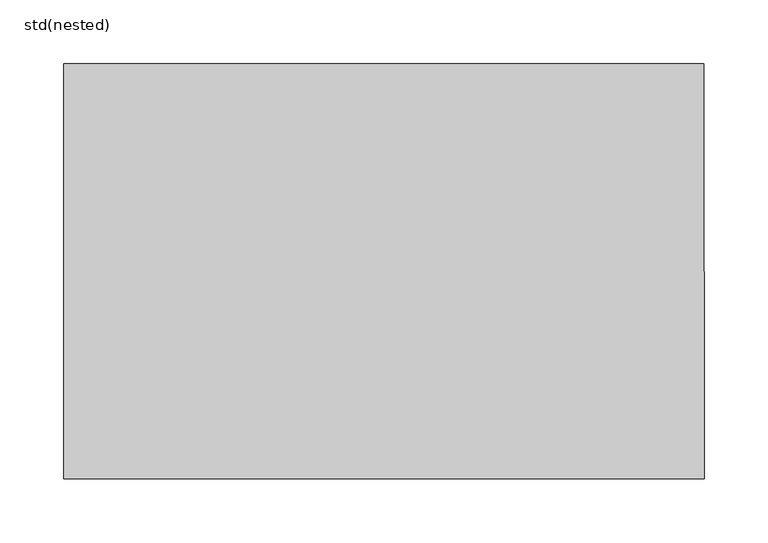
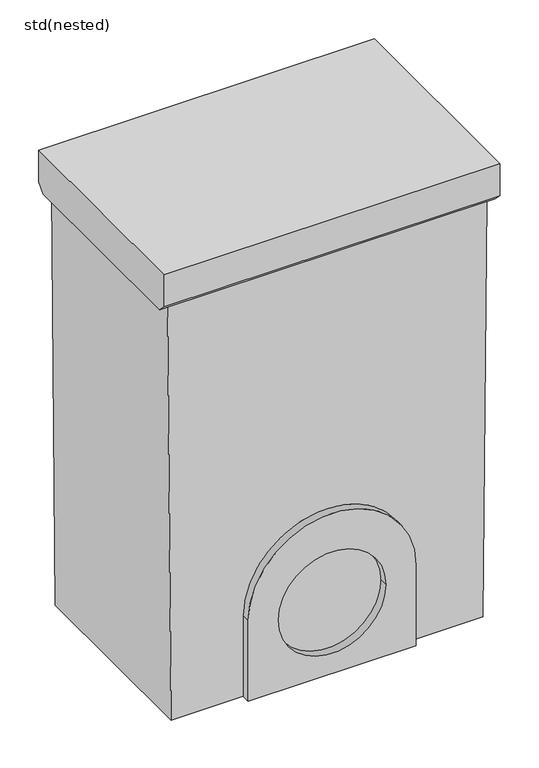
"""IFC4 building model written with IfcOpenShell, lengths in millimetres: sanitary terminal geometry, std(nested)."""

from ifc_helpers import new_model, si_unit, frame, origin, place, context, project, spatial, polyline, circle_curve, source, transform, mapped, element, save
from ifc_brep_helpers import plane_surface, cylinder_surface, revolved_surface, advanced_brep


def std_nested_e4e42d5c(model_context):
    return source(origin(), model_context, "Body", "AdvancedBrep", [
        advanced_brep(
        [(-752.8529257, -550.4923488, -50.1672382), (-752.8529257, -550.4923488, 0.0), (-252.8529257, -550.4923488, 0.0), (-252.8529257, -550.4923488, -50.1672382), (-252.8529257, -874.4923423, -50.1672382), (-252.8529257, -874.4923423, 0.0), (-752.8529257, -874.4923423, 0.0), (-752.8529257, -874.4923423, -50.1672382), (-752.8529257, -562.5010239, -62.1759133), (-752.8529257, -862.5010239, -62.1759133), (-252.8529257, -862.5010239, -62.1759133), (-252.8529257, -562.5010239, -62.1759133), (-264.8558235, -562.5010239, -62.1759133), (-740.8500279, -562.4923433, -62.1672327), (-740.8500279, -861.6064056, -62.1759133), (-264.8558235, -861.6064056, -62.1759133), (-735.5588746, -562.4923433, -715.0), (-270.5588746, -562.4923433, -715.0), (-270.5588746, -861.6064056, -715.0), (-735.5588746, -861.6064056, -715.0), (-627.8529257, -861.6064056, -715.0), (-627.8529257, -861.6064056, -588.0000055), (-377.8529257, -861.6064056, -588.0000055), (-377.8529257, -861.6064056, -715.0), (-627.8529257, -874.4923423, -715.0), (-377.8529257, -874.4923423, -715.0), (-377.8529257, -874.4923423, -588.0000055), (-627.8529257, -874.4923423, -588.0000055), (-422.8529257, -874.4923423, -603.0), (-582.8529257, -874.4923423, -603.0), (-422.8529257, -861.6064056, -603.0), (-582.8529257, -861.6064056, -603.0)],
        [
            (0, 1),
            (1, 2),
            (2, 3),
            (3, 0),
            (4, 5),
            (5, 6),
            (6, 7),
            (7, 4),
            (0, 8),
            (8, 9),
            (9, 7),
            (6, 1),
            (5, 2),
            (4, 10),
            (10, 11),
            (11, 3),
            (11, 12),
            (12, 13),
            (13, 8),
            (9, 10),
            (13, 14),
            (14, 15),
            (15, 12),
            (16, 13),
            (12, 17),
            (17, 16),
            (18, 15),
            (14, 19),
            (19, 20),
            (20, 21),
            (21, 22, circle_curve(frame((-502.8529257, -861.6064056, -588.0000055), z_axis=(0.0, 1.0, 0.0), x_axis=(-1.0, 0.0, 0.0)), 125.0)),
            (22, 23),
            (23, 18),
            (16, 19),
            (18, 17),
            (24, 25),
            (25, 26),
            (26, 27, circle_curve(frame((-502.8529257, -874.4923423, -588.0000055), z_axis=(0.0, -1.0, 0.0), x_axis=(-1.0, 0.0, 0.0)), 125.0)),
            (27, 24),
            (28, 29, circle_curve(frame((-502.8529257, -874.4923423, -603.0), z_axis=(0.0, 1.0, 0.0), x_axis=(-1.0, 0.0, 0.0)), 80.0)),
            (29, 28, circle_curve(frame((-502.8529257, -874.4923423, -603.0), z_axis=(0.0, 1.0, 0.0), x_axis=(-1.0, 0.0, 0.0)), 80.0)),
            (27, 21),
            (20, 24),
            (26, 22),
            (25, 23),
            (30, 31, circle_curve(frame((-502.8529257, -861.6064056, -603.0), z_axis=(0.0, -1.0, 0.0), x_axis=(-1.0, 0.0, 0.0)), 80.0)),
            (31, 30, circle_curve(frame((-502.8529257, -861.6064056, -603.0), z_axis=(0.0, -1.0, 0.0), x_axis=(-1.0, 0.0, 0.0)), 80.0)),
            (31, 29),
            (28, 30),
        ],
        [
            plane_surface(frame((-752.8529257, -550.4923488, 0.0), z_axis=(0.0, 1.0, 0.0), x_axis=(0.0, 0.0, 1.0))),
            plane_surface(frame((-752.8529257, -874.4923423, 0.0), z_axis=(0.0, -1.0, 0.0), x_axis=(0.0, 0.0, -1.0))),
            plane_surface(frame((-752.8529257, -550.4923488, -50.1672382), z_axis=(-1.0, 0.0, 0.0), x_axis=(0.0, -1.0, 0.0))),
            plane_surface(frame((-752.8529257, -550.4923488, 0.0), z_axis=(0.0, 0.0, 1.0), x_axis=(0.0, -1.0, 0.0))),
            plane_surface(frame((-252.8529257, -550.4923488, 0.0), z_axis=(1.0, 0.0, 0.0), x_axis=(0.0, -1.0, 0.0))),
            plane_surface(frame((-252.8529257, -562.5010239, -62.1759133), z_axis=(0.0, 0.7071067811865468, -0.7071067811865482), x_axis=(-1.0, 0.0, 0.0))),
            plane_surface(frame((-252.8529257, -874.5096991, -50.1672382), z_axis=(0.0, -0.7071067811865492, -0.7071067811865458), x_axis=(-1.0, 0.0, 0.0))),
            plane_surface(frame((-252.8529257, -862.5010239, -62.1759133), z_axis=(0.0, 0.0, -1.0), x_axis=(-1.0, 0.0, 0.0))),
            plane_surface(frame((-740.8500279, -562.4923433, -62.1759133), z_axis=(0.0, 1.0, 0.0), x_axis=(-0.008104755379351127, 0.0, 0.999967155930754))),
            plane_surface(frame((-740.8500279, -861.6064056, -62.1759133), z_axis=(0.0, -1.0, 0.0), x_axis=(0.008104755379351127, 0.0, -0.999967155930754))),
            plane_surface(frame((-735.5588746, -562.4923433, -715.0), z_axis=(-0.999967155930754, 0.0, -0.008104755379351127), x_axis=(0.0, -1.0, 0.0))),
            plane_surface(frame((-264.8558235, -562.4923433, -62.1759133), z_axis=(0.9999618436045261, 0.0, -0.008735635926330457), x_axis=(0.0, -1.0, 0.0))),
            plane_surface(frame((-627.8529257, -874.4923423, -588.0000055), z_axis=(0.0, -1.0, 0.0), x_axis=(0.0, 0.0, -1.0))),
            plane_surface(frame((-627.8529257, -858.426335, -715.0), z_axis=(-1.0, 0.0, 0.0), x_axis=(0.0, -1.0, 0.0))),
            cylinder_surface(frame((-502.8529257, -874.4923423, -588.0000055), z_axis=(0.0, 1.0, 0.0), x_axis=(-1.0, 0.0, 0.0)), 125.0),
            plane_surface(frame((-377.8529257, -858.426335, -588.0000055), z_axis=(1.0, 0.0, 0.0), x_axis=(0.0, -1.0, 0.0))),
            plane_surface(frame((-377.8529257, -858.426335, -715.0), z_axis=(0.0, 0.0, -1.0), x_axis=(0.0, -1.0, 0.0))),
            plane_surface(frame((-582.8529257, -861.6064056, -603.0), z_axis=(0.0, -1.0, 0.0), x_axis=(0.0, 0.0, 1.0))),
            revolved_surface(polyline([(-582.8529257, -861.6064056, -603.0), (-582.8529257, -874.4923423, -603.0)]), (-502.8529257, -874.4923423, -603.0), (0.0, 1.0, 0.0)),
        ],
        [
            (0, [[1, 2, 3, 4]]),
            (1, [[5, 6, 7, 8]]),
            (2, [[-1, 9, 10, 11, -7, 12]]),
            (3, [[-2, -12, -6, 13]]),
            (4, [[-3, -13, -5, 14, 15, 16]]),
            (5, [[-16, 17, 18, 19, -9, -4]]),
            (6, [[-14, -8, -11, 20]]),
            (7, [[-15, -20, -10, -19, 21, 22, 23, -17]]),
            (8, [[24, -18, 25, 26]]),
            (9, [[27, -22, 28, 29, 30, 31, 32, 33]]),
            (10, [[-24, 34, -28, -21]]),
            (11, [[-25, -23, -27, 35]]),
            (12, [[36, 37, 38, 39], [40, 41]]),
            (13, [[-39, 42, -30, 43]]),
            (14, [[-38, 44, -31, -42]]),
            (15, [[-37, 45, -32, -44]]),
            (16, [[-36, -43, -29, -34, -26, -35, -33, -45]]),
            (17, [[46, 47]]),
            (18, [[-47, 48, -40, 49]]),
            (18, [[-46, -49, -41, -48]]),
        ],
    ),
    ])


if __name__ == "__main__":
    model = new_model("IFC4")
    model_context = context("Model", 3, world=origin())
    ifc_project = project(units=[si_unit("LENGTHUNIT", "METRE", prefix="MILLI")], contexts=[model_context])
    site = spatial("IfcSite", under=ifc_project)
    building = spatial("IfcBuilding", under=site)
    placement = place(None, origin())
    std_nested_shape = std_nested_e4e42d5c(model_context)
    element("IfcSanitaryTerminal", 1, ObjectType="std(nested)", at=placement, inside=building, context=model_context, shape_type="MappedRepresentation", body=[
        mapped(std_nested_shape, transform((0.0, 0.0, 0.0), x_axis=(1.0, 0.0, 0.0), y_axis=(0.0, 1.0, 0.0), z_axis=(0.0, 0.0, 1.0))),
    ])
    save(model, "model.ifc")
